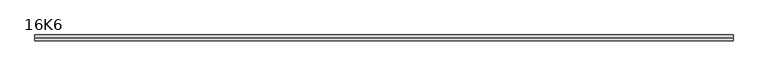
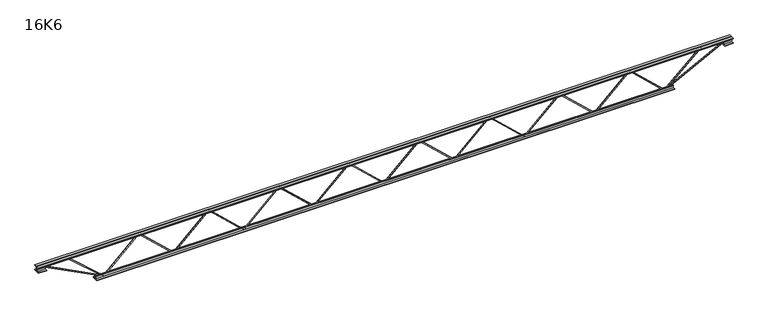
"""IFC4 building model written with IfcOpenShell, lengths in millimetres: beam geometry, 16K6."""

from ifc_helpers import new_model, si_unit, frame, origin, place, context, project, spatial, polyline, outline, extrude, source, transform, mapped, element, save


def beam_16k6_fe2cca8c(model_context):
    return source(origin(), model_context, "Body", "SweptSolid", [
        extrude(outline(polyline([(-191.9, 1707.8571429), (-201.4, 1707.8571429), (-201.4, 1712.9072406), (191.9, 2133.4322406), (191.9, 2136.0320452), (-201.4, 2556.5570452), (-201.4, 2561.6071429), (-191.9, 2561.6071429), (-191.9, 2560.3072406), (201.4, 2139.7822406), (201.4, 2129.6820452), (-191.9, 1709.1570452), (-191.9, 1707.8571429)])), frame((0.0, -4.75, 0.0), z_axis=(0.0, 1.0, 0.0), x_axis=(0.0, 0.0, 1.0)), (0.0, 0.0, 1.0), 9.5),
        extrude(outline(polyline([(-191.9, 853.9642857), (-201.4, 853.9642857), (-201.4, 859.0143834), (191.9, 1279.5393834), (191.9, 1282.139188), (-201.4, 1702.664188), (-201.4, 1707.7142857), (-191.9, 1707.7142857), (-191.9, 1706.4143834), (201.4, 1285.8893834), (201.4, 1275.789188), (-191.9, 855.264188), (-191.9, 853.9642857)])), frame((0.0, -4.75, 0.0), z_axis=(0.0, 1.0, 0.0), x_axis=(0.0, 0.0, 1.0)), (0.0, 0.0, 1.0), 9.5),
        extrude(outline(polyline([(-191.9, 0.0714286), (-201.4, 0.0714286), (-201.4, 5.1215263), (191.9, 425.6465263), (191.9, 428.2463309), (-201.4, 848.7713309), (-201.4, 853.8214286), (-191.9, 853.8214286), (-191.9, 852.5215263), (201.4, 431.9965263), (201.4, 421.8963309), (-191.9, 1.3713309), (-191.9, 0.0714286)])), frame((0.0, -4.75, 0.0), z_axis=(0.0, 1.0, 0.0), x_axis=(0.0, 0.0, 1.0)), (0.0, 0.0, 1.0), 9.5),
        extrude(outline(polyline([(-191.9, -853.8214286), (-201.4, -853.8214286), (-201.4, -848.7713309), (191.9, -428.2463309), (191.9, -425.6465263), (-201.4, -5.1215263), (-201.4, -0.0714286), (-191.9, -0.0714286), (-191.9, -1.3713309), (201.4, -421.8963309), (201.4, -431.9965263), (-191.9, -852.5215263), (-191.9, -853.8214286)])), frame((0.0, -4.75, 0.0), z_axis=(0.0, 1.0, 0.0), x_axis=(0.0, 0.0, 1.0)), (0.0, 0.0, 1.0), 9.5),
        extrude(outline(polyline([(-191.9, -1707.7142857), (-201.4, -1707.7142857), (-201.4, -1702.664188), (191.9, -1282.139188), (191.9, -1279.5393834), (-201.4, -859.0143834), (-201.4, -853.9642857), (-191.9, -853.9642857), (-191.9, -855.264188), (201.4, -1275.789188), (201.4, -1285.8893834), (-191.9, -1706.4143834), (-191.9, -1707.7142857)])), frame((0.0, -4.75, 0.0), z_axis=(0.0, 1.0, 0.0), x_axis=(0.0, 0.0, 1.0)), (0.0, 0.0, 1.0), 9.5),
        extrude(outline(polyline([(-191.9, -2561.6071429), (-201.4, -2561.6071429), (-201.4, -2556.5570452), (191.9, -2136.0320452), (191.9, -2133.4322406), (-201.4, -1712.9072406), (-201.4, -1707.8571429), (-191.9, -1707.8571429), (-191.9, -1709.1570452), (201.4, -2129.6820452), (201.4, -2139.7822406), (-191.9, -2560.3072406), (-191.9, -2561.6071429)])), frame((0.0, -4.75, 0.0), z_axis=(0.0, 1.0, 0.0), x_axis=(0.0, 0.0, 1.0)), (0.0, 0.0, 1.0), 9.5),
        extrude(outline(polyline([(-191.9, 2561.75), (-201.4, 2561.75), (-201.4, 2566.8000977), (191.9, 2987.3250977), (191.9, 2989.9249023), (-201.4, 3410.4499023), (-201.4, 3415.5), (-191.9, 3415.5), (-191.9, 3414.2000977), (201.4, 2993.6750977), (201.4, 2983.5749023), (-191.9, 2563.0499023), (-191.9, 2561.75)])), frame((0.0, -4.75, 0.0), z_axis=(0.0, 1.0, 0.0), x_axis=(0.0, 0.0, 1.0)), (0.0, 0.0, 1.0), 9.5),
        extrude(outline(polyline([(-191.9, -3415.5), (-201.4, -3415.5), (-201.4, -3410.4499023), (191.9, -2989.9249023), (191.9, -2987.3250977), (-201.4, -2566.8000977), (-201.4, -2561.75), (-191.9, -2561.75), (-191.9, -2563.0499023), (201.4, -2983.5749023), (201.4, -2993.6750977), (-191.9, -3414.2000977), (-191.9, -3415.5)])), frame((0.0, -4.75, 0.0), z_axis=(0.0, 1.0, 0.0), x_axis=(0.0, 0.0, 1.0)), (0.0, 0.0, 1.0), 9.5),
        extrude(outline(polyline([(4.75, 203.0), (36.75, 203.0), (36.75, 196.5), (11.25, 196.5), (11.25, 171.0), (4.75, 171.0), (4.75, 203.0)])), frame((-4227.5, 0.0, 0.0), z_axis=(1.0, 0.0, 0.0), x_axis=(0.0, 1.0, 0.0)), (0.0, 0.0, 1.0), 8455.0),
        extrude(outline(polyline([(-4.75, 203.0), (-4.75, 171.0), (-11.25, 171.0), (-11.25, 196.5), (-36.75, 196.5), (-36.75, 203.0), (-4.75, 203.0)])), frame((-4227.5, 0.0, 0.0), z_axis=(1.0, 0.0, 0.0), x_axis=(0.0, 1.0, 0.0)), (0.0, 0.0, 1.0), 8455.0),
        extrude(outline(polyline([(-4.75, 139.5), (-36.75, 139.5), (-36.75, 146.0), (-11.25, 146.0), (-11.25, 171.0), (-4.75, 171.0), (-4.75, 139.5)])), frame((-4227.5, 0.0, 0.0), z_axis=(1.0, 0.0, 0.0), x_axis=(0.0, 1.0, 0.0)), (0.0, 0.0, 1.0), 100.0),
        extrude(outline(polyline([(36.75, 139.5), (4.75, 139.5), (4.75, 171.0), (11.25, 171.0), (11.25, 146.0), (36.75, 146.0), (36.75, 139.5)])), frame((-4227.5, 0.0, 0.0), z_axis=(1.0, 0.0, 0.0), x_axis=(0.0, 1.0, 0.0)), (0.0, 0.0, 1.0), 100.0),
        extrude(outline(polyline([(4.75, 139.5), (4.75, 171.0), (11.25, 171.0), (11.25, 146.0), (36.75, 146.0), (36.75, 139.5), (4.75, 139.5)])), frame((4127.5, 0.0, 0.0), z_axis=(1.0, 0.0, 0.0), x_axis=(0.0, 1.0, 0.0)), (0.0, 0.0, 1.0), 100.0),
        extrude(outline(polyline([(-4.75, 139.5), (-36.75, 139.5), (-36.75, 146.0), (-11.25, 146.0), (-11.25, 171.0), (-4.75, 171.0), (-4.75, 139.5)])), frame((4127.5, 0.0, 0.0), z_axis=(1.0, 0.0, 0.0), x_axis=(0.0, 1.0, 0.0)), (0.0, 0.0, 1.0), 100.0),
        extrude(outline(polyline([(4.75, -203.0), (4.75, -171.0), (11.25, -171.0), (11.25, -196.5), (36.75, -196.5), (36.75, -203.0), (4.75, -203.0)])), frame((-3515.5, 0.0, 0.0), z_axis=(1.0, 0.0, 0.0), x_axis=(0.0, 1.0, 0.0)), (0.0, 0.0, 1.0), 7031.0),
        extrude(outline(polyline([(-4.75, -203.0), (-36.75, -203.0), (-36.75, -196.5), (-11.25, -196.5), (-11.25, -171.0), (-4.75, -171.0), (-4.75, -203.0)])), frame((-3515.5, 0.0, 0.0), z_axis=(1.0, 0.0, 0.0), x_axis=(0.0, 1.0, 0.0)), (0.0, 0.0, 1.0), 7031.0),
        extrude(outline(polyline([(-200.8705467, -3417.6793315), (-192.4294533, -3413.3206685), (175.75, -4126.3460208), (175.75, -4227.5), (166.25, -4227.5), (166.25, -4128.6539792), (-200.8705467, -3417.6793315)])), frame((0.0, -4.75, 0.0), z_axis=(0.0, 1.0, 0.0), x_axis=(0.0, 0.0, 1.0)), (0.0, 0.0, 1.0), 9.5),
        extrude(outline(polyline([(188.7, -3862.3321429), (179.2, -3862.3321429), (179.2, -3851.4194796), (-200.2217434, -3418.6313174), (-193.0782566, -3412.3686826), (188.7, -3847.8448061), (188.7, -3862.3321429)])), frame((0.0, -4.75, 0.0), z_axis=(0.0, 1.0, 0.0), x_axis=(0.0, 0.0, 1.0)), (0.0, 0.0, 1.0), 9.5),
        extrude(outline(polyline([(0.0, -9.5), (0.0, 0.0), (801.3179909, 0.0), (801.3179909, -9.5), (0.0, -9.5)])), frame((4129.6793315, -4.75, 166.7794533), z_axis=(-0.4588066213244957, 0.0, 0.8885361468329811), x_axis=(-0.8885361468329811, 0.0, -0.4588066213244957)), (0.0, 0.0, 1.0), 9.5),
        extrude(outline(polyline([(0.0, -9.5), (0.0, 0.0), (591.1931931, 0.0), (591.1931931, -9.5), (0.0, -9.5)])), frame((3860.0492933, -4.75, 193.1036143), z_axis=(-0.6652647638779633, 0.0, 0.7466075233631106), x_axis=(-0.7466075233631106, 0.0, -0.6652647638779633)), (0.0, 0.0, 1.0), 9.5),
    ])


if __name__ == "__main__":
    model = new_model("IFC4")
    model_context = context("Model", 3, world=origin())
    ifc_project = project(units=[si_unit("LENGTHUNIT", "METRE", prefix="MILLI")], contexts=[model_context])
    site = spatial("IfcSite", under=ifc_project)
    building = spatial("IfcBuilding", under=site)
    placement = place(None, origin())
    beam_16k6_shape = beam_16k6_fe2cca8c(model_context)
    element("IfcBeam", 1, ObjectType="16K6", at=placement, inside=building, context=model_context, shape_type="MappedRepresentation", body=[
        mapped(beam_16k6_shape, transform((0.0, 0.0, 0.0), x_axis=(1.0, 0.0, 0.0), y_axis=(0.0, 1.0, 0.0), z_axis=(0.0, 0.0, 1.0))),
    ])
    save(model, "model.ifc")
